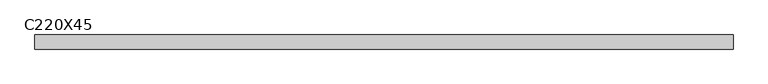
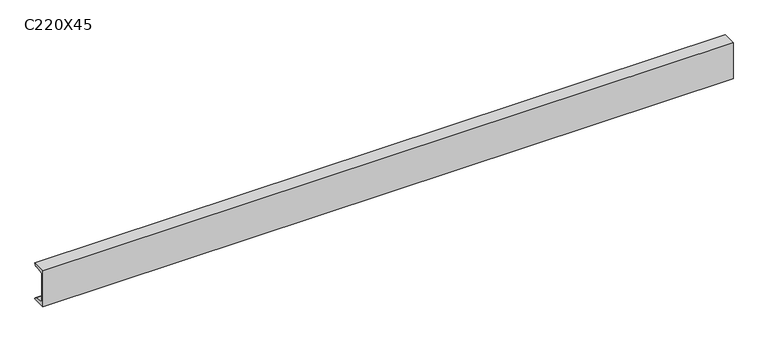
"""IFC4 building model written with IfcOpenShell, lengths in millimetres: beam geometry, C220X45."""

from ifc_helpers import new_model, si_unit, point, frame, frame_2d, origin, place, context, project, spatial, polyline, circle_curve, trimmed, segment, composite_curve, outline, extrude, source, transform, mapped, element, save


def c220x45_1d40f388(model_context):
    return source(origin(), model_context, "Body", "SweptSolid", [
        extrude(outline(composite_curve([segment(polyline([(-17.0, 110.0), (64.0, 110.0)]), True, "CONTINUOUS"), segment(trimmed(circle_curve(frame_2d((51.0, 110.0)), 13.0), [point((64.0, 110.0))], [point((51.0, 97.0))], False, "CARTESIAN"), True, "CONTINUOUS"), segment(polyline([(51.0, 97.0), (-4.0, 88.2888558), (-4.0, -88.2888558), (51.0, -97.0)]), True, "CONTINUOUS"), segment(trimmed(circle_curve(frame_2d((51.0, -110.0)), 13.0), [point((51.0, -97.0))], [point((64.0, -110.0))], False, "CARTESIAN"), True, "CONTINUOUS"), segment(polyline([(64.0, -110.0), (-17.0, -110.0), (-17.0, 110.0)]), True, "CONTINUOUS")], self_intersect=False)), frame((-1991.5, 0.0, 0.0), z_axis=(1.0, 0.0, 0.0), x_axis=(0.0, 1.0, 0.0)), (0.0, 0.0, 1.0), 4012.8743926),
    ])


if __name__ == "__main__":
    model = new_model("IFC4")
    model_context = context("Model", 3, world=origin())
    ifc_project = project(units=[si_unit("LENGTHUNIT", "METRE", prefix="MILLI")], contexts=[model_context])
    site = spatial("IfcSite", under=ifc_project)
    building = spatial("IfcBuilding", under=site)
    placement = place(None, origin())
    c220x45_shape = c220x45_1d40f388(model_context)
    element("IfcBeam", 1, ObjectType="C220X45", at=placement, inside=building, context=model_context, shape_type="MappedRepresentation", body=[
        mapped(c220x45_shape, transform((0.0, 0.0, 0.0), x_axis=(1.0, 0.0, 0.0), y_axis=(0.0, 1.0, 0.0), z_axis=(0.0, 0.0, 1.0))),
    ])
    save(model, "model.ifc")
